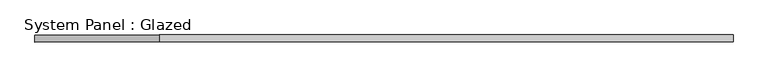
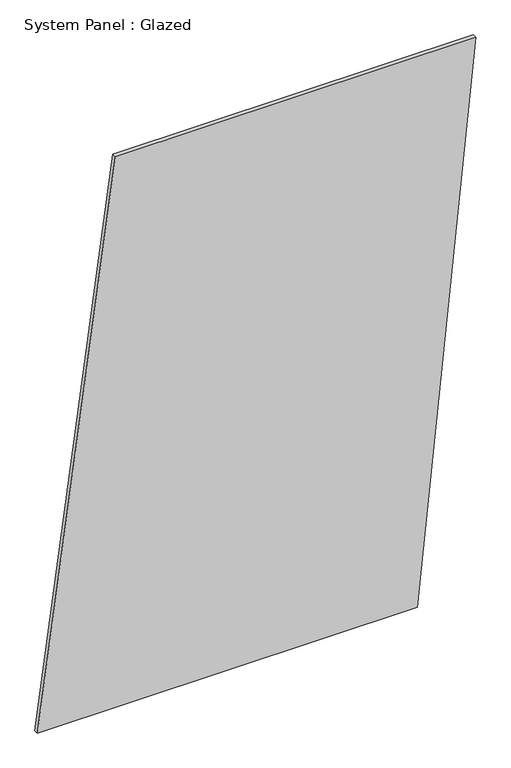
"""IFC4 building model written with IfcOpenShell, lengths in millimetres: plate geometry, System Panel : Glazed."""

from ifc_helpers import new_model, si_unit, frame, origin, place, context, project, spatial, polyline, outline, extrude, source, transform, mapped, element, save


def system_panel_glazed_167da67e(model_context):
    return source(origin(), model_context, "Body", "SweptSolid", [
        extrude(outline(polyline([(0.0, -1255.8978447), (0.0, 920.7118258), (3336.3860932, 1255.8978447), (3336.3860932, -808.9831529), (0.0, -1255.8978447)])), frame((0.0, -49.5, 0.0), z_axis=(0.0, 1.0, 0.0), x_axis=(0.0, 0.0, 1.0)), (0.0, 0.0, 1.0), 25.0),
    ])


if __name__ == "__main__":
    model = new_model("IFC4")
    model_context = context("Model", 3, world=origin())
    ifc_project = project(units=[si_unit("LENGTHUNIT", "METRE", prefix="MILLI")], contexts=[model_context])
    site = spatial("IfcSite", under=ifc_project)
    building = spatial("IfcBuilding", under=site)
    placement = place(None, origin())
    system_panel_glazed_shape = system_panel_glazed_167da67e(model_context)
    element("IfcPlate", 1, ObjectType="System Panel : Glazed", at=placement, inside=building, context=model_context, shape_type="MappedRepresentation", body=[
        mapped(system_panel_glazed_shape, transform((0.0, 0.0, 0.0), x_axis=(1.0, 0.0, 0.0), y_axis=(0.0, 1.0, 0.0), z_axis=(0.0, 0.0, 1.0))),
    ])
    save(model, "model.ifc")
